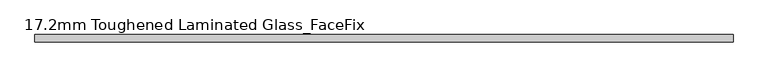
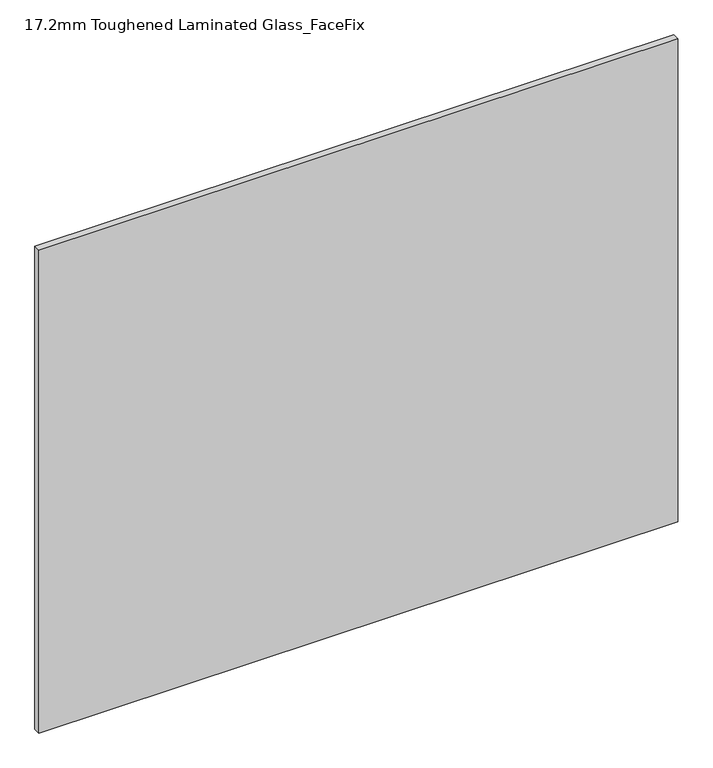
"""IFC4 building model written with IfcOpenShell, lengths in millimetres: plate geometry, 17.2mm Toughened Laminated Glass_FaceFix."""

from ifc_helpers import new_model, si_unit, origin, origin_with_axes, place, context, project, spatial, polyline, outline, extrude, source, transform, mapped, element, save


def plate_17_2mm_toughened_laminated_glass_facefix_24fa83d6(model_context):
    return source(origin(), model_context, "Body", "SweptSolid", [
        extrude(outline(polyline([(795.0000001, -23.4), (795.0000001, -40.6), (-795.0000001, -40.6), (-795.0000001, -23.4), (795.0000001, -23.4)])), origin_with_axes(), (0.0, 0.0, 1.0), 1270.0),
    ])


if __name__ == "__main__":
    model = new_model("IFC4")
    model_context = context("Model", 3, world=origin())
    ifc_project = project(units=[si_unit("LENGTHUNIT", "METRE", prefix="MILLI")], contexts=[model_context])
    site = spatial("IfcSite", under=ifc_project)
    building = spatial("IfcBuilding", under=site)
    placement = place(None, origin())
    plate_17_2mm_toughened_laminated_glass_facefix_shape = plate_17_2mm_toughened_laminated_glass_facefix_24fa83d6(model_context)
    element("IfcPlate", 1, ObjectType="17.2mm Toughened Laminated Glass_FaceFix", at=placement, inside=building, context=model_context, shape_type="MappedRepresentation", body=[
        mapped(plate_17_2mm_toughened_laminated_glass_facefix_shape, transform((0.0, 0.0, 0.0), x_axis=(1.0, 0.0, 0.0), y_axis=(0.0, 1.0, 0.0), z_axis=(0.0, 0.0, 1.0))),
    ])
    save(model, "model.ifc")
